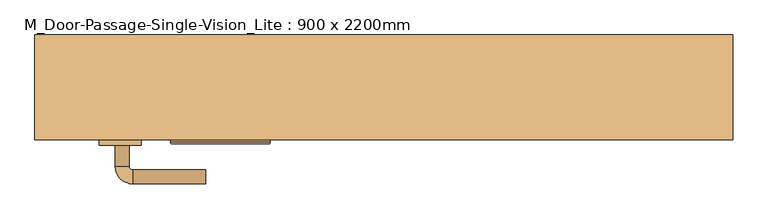
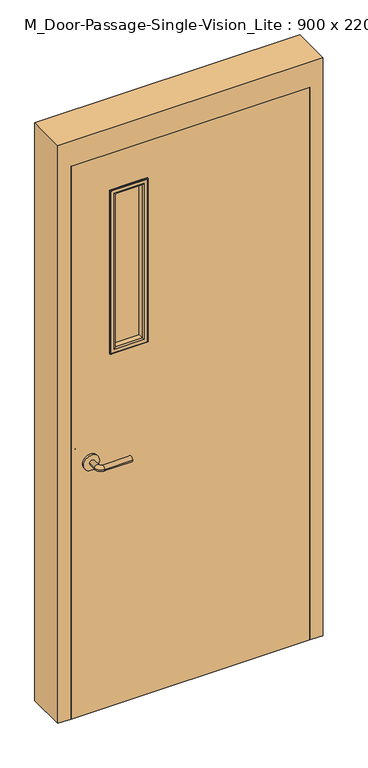
"""IFC4 building model written with IfcOpenShell, lengths in millimetres: door geometry, M_Door-Passage-Single-Vision_Lite : 900 x 2200mm."""

from ifc_helpers import new_model, si_unit, point, frame, frame_2d, origin, place, context, project, spatial, polyline, circle_curve, ellipse_curve, trimmed, segment, composite_curve, outline, extrude, faceted_brep, source, transform, mapped, element, save
from ifc_brep_helpers import plane_surface, cylinder_surface, revolved_surface, advanced_brep


def m_door_passage_single_vision_lite_900_x_2200mm_c099d49f(model_context):
    return source(origin(), model_context, "Body", "SolidModel", [
        advanced_brep(
        [(-384.990625, -104.35, 1000.0), (-364.990625, -104.35, 1000.0), (-384.990625, -74.35, 1000.0), (-364.990625, -74.35, 1000.0), (-359.990625, -69.35, 1000.0), (-359.990625, -49.35, 1000.0), (-254.990625, -49.35, 1000.0), (-254.990625, -69.35, 1000.0)],
        [
            (0, 1, circle_curve(frame((-374.990625, -104.35, 1000.0), z_axis=(0.0, -1.0, 0.0), x_axis=(1.0, 0.0, 0.0)), 10.0)),
            (1, 0, circle_curve(frame((-374.990625, -104.35, 1000.0), z_axis=(0.0, -1.0, 0.0), x_axis=(1.0, 0.0, 0.0)), 10.0)),
            (0, 2),
            (2, 3, circle_curve(frame((-374.990625, -74.35, 1000.0), z_axis=(0.0, -1.0, 0.0), x_axis=(1.0, 0.0, 0.0)), 10.0)),
            (3, 1),
            (3, 2, circle_curve(frame((-374.990625, -74.35, 1000.0), z_axis=(0.0, -1.0, 0.0), x_axis=(1.0, 0.0, 0.0)), 10.0)),
            (4, 3, circle_curve(frame((-359.990625, -74.35, 1000.0), z_axis=(0.0, 0.0, 1.0), x_axis=(-1.0, 0.0, 0.0)), 5.0)),
            (2, 5, circle_curve(frame((-359.990625, -74.35, 1000.0), z_axis=(0.0, 0.0, -1.0), x_axis=(-1.0, 0.0, 0.0)), 25.0)),
            (5, 4, circle_curve(frame((-359.990625, -59.35, 1000.0), z_axis=(-1.0, 0.0, 0.0), x_axis=(0.0, -1.0, 0.0)), 10.0)),
            (4, 5, circle_curve(frame((-359.990625, -59.35, 1000.0), z_axis=(-1.0, 0.0, 0.0), x_axis=(0.0, -1.0, 0.0)), 10.0)),
            (6, 7, circle_curve(frame((-254.990625, -59.35, 1000.0), z_axis=(1.0, 0.0, 0.0), x_axis=(0.0, -1.0, 0.0)), 10.0)),
            (7, 6, circle_curve(frame((-254.990625, -59.35, 1000.0), z_axis=(1.0, 0.0, 0.0), x_axis=(0.0, -1.0, 0.0)), 10.0)),
            (5, 6),
            (7, 4),
        ],
        [
            plane_surface(frame((-374.990625, -104.35, 1000.0), z_axis=(0.0, -1.0, 0.0), x_axis=(0.0, 0.0, 1.0))),
            cylinder_surface(frame((-374.990625, -104.35, 1000.0), z_axis=(0.0, -1.0, 0.0), x_axis=(1.0, 0.0, 0.0)), 10.0),
            revolved_surface(trimmed(ellipse_curve(frame((-374.990625, -74.35, 1000.0), z_axis=(0.0, -1.0, 0.0), x_axis=(1.0, 0.0, 0.0)), 10.0, 10.0), [point((-384.990625, -74.35, 1000.0))], [point((-364.990625, -74.35, 1000.0))], True, "CARTESIAN"), (-359.990625, -74.35, 1000.0), (0.0, 0.0, -1.0)),
            revolved_surface(trimmed(ellipse_curve(frame((-374.990625, -74.35, 1000.0), z_axis=(0.0, -1.0, 0.0), x_axis=(1.0, 0.0, 0.0)), 10.0, 10.0), [point((-364.990625, -74.35, 1000.0))], [point((-384.990625, -74.35, 1000.0))], True, "CARTESIAN"), (-359.990625, -74.35, 1000.0), (0.0, 0.0, -1.0)),
            plane_surface(frame((-254.990625, -59.35, 1000.0), z_axis=(1.0, 0.0, 0.0), x_axis=(0.0, 0.0, 1.0))),
            cylinder_surface(frame((-359.990625, -59.35, 1000.0), z_axis=(-1.0, 0.0, 0.0), x_axis=(0.0, -1.0, 0.0)), 10.0),
        ],
        [
            (0, [[1, 2]]),
            (1, [[-1, 3, 4, 5]]),
            (1, [[-2, -5, 6, -3]]),
            (2, [[7, -4, 8, 9]]),
            (3, [[-8, -6, -7, 10]]),
            (4, [[11, 12]]),
            (5, [[-9, 13, -12, 14]]),
            (5, [[-10, -14, -11, -13]]),
        ],
    ),
        extrude(outline(composite_curve([segment(trimmed(circle_curve(frame_2d((1000.0, -377.490625)), 30.0), [point((1000.0, -407.490625))], [point((1000.0, -347.490625))], False, "CARTESIAN"), True, "CONTINUOUS"), segment(trimmed(circle_curve(frame_2d((1000.0, -377.490625)), 30.0), [point((1000.0, -347.490625))], [point((1000.0, -407.490625))], False, "CARTESIAN"), True, "CONTINUOUS")], self_intersect=False)), frame((0.0, -112.35, 0.0), z_axis=(0.0, 1.0, 0.0), x_axis=(0.0, 0.0, 1.0)), (0.0, 0.0, 1.0), 8.0),
        advanced_brep(
        [(-384.990625, -165.35, 1000.0), (-364.990625, -165.35, 1000.0), (-364.990625, -195.35, 1000.0), (-384.990625, -195.35, 1000.0), (-359.990625, -200.35, 1000.0), (-359.990625, -220.35, 1000.0), (-254.990625, -220.35, 1000.0), (-254.990625, -200.35, 1000.0)],
        [
            (0, 1, circle_curve(frame((-374.990625, -165.35, 1000.0), z_axis=(0.0, 1.0, 0.0), x_axis=(1.0, 0.0, 0.0)), 10.0)),
            (1, 0, circle_curve(frame((-374.990625, -165.35, 1000.0), z_axis=(0.0, 1.0, 0.0), x_axis=(1.0, 0.0, 0.0)), 10.0)),
            (1, 2),
            (2, 3, circle_curve(frame((-374.990625, -195.35, 1000.0), z_axis=(0.0, 1.0, 0.0), x_axis=(1.0, 0.0, 0.0)), 10.0)),
            (3, 0),
            (3, 2, circle_curve(frame((-374.990625, -195.35, 1000.0), z_axis=(0.0, 1.0, 0.0), x_axis=(1.0, 0.0, 0.0)), 10.0)),
            (4, 5, circle_curve(frame((-359.990625, -210.35, 1000.0), z_axis=(-1.0, 0.0, 0.0), x_axis=(0.0, 1.0, 0.0)), 10.0)),
            (5, 3, circle_curve(frame((-359.990625, -195.35, 1000.0), z_axis=(0.0, 0.0, -1.0), x_axis=(-1.0, 0.0, 0.0)), 25.0)),
            (2, 4, circle_curve(frame((-359.990625, -195.35, 1000.0), z_axis=(0.0, 0.0, 1.0), x_axis=(-1.0, 0.0, 0.0)), 5.0)),
            (5, 4, circle_curve(frame((-359.990625, -210.35, 1000.0), z_axis=(-1.0, 0.0, 0.0), x_axis=(0.0, 1.0, 0.0)), 10.0)),
            (6, 7, circle_curve(frame((-254.990625, -210.35, 1000.0), z_axis=(1.0, 0.0, 0.0), x_axis=(0.0, 1.0, 0.0)), 10.0)),
            (7, 6, circle_curve(frame((-254.990625, -210.35, 1000.0), z_axis=(1.0, 0.0, 0.0), x_axis=(0.0, 1.0, 0.0)), 10.0)),
            (4, 7),
            (6, 5),
        ],
        [
            plane_surface(frame((-374.990625, -165.35, 1000.0), z_axis=(0.0, 1.0, 0.0), x_axis=(0.0, 0.0, 1.0))),
            cylinder_surface(frame((-374.990625, -165.35, 1000.0), z_axis=(0.0, 1.0, 0.0), x_axis=(1.0, 0.0, 0.0)), 10.0),
            revolved_surface(trimmed(ellipse_curve(frame((-374.990625, -195.35, 1000.0), z_axis=(0.0, -1.0, 0.0), x_axis=(1.0, 0.0, 0.0)), 10.0, 10.0), [point((-384.990625, -195.35, 1000.0))], [point((-364.990625, -195.35, 1000.0))], True, "CARTESIAN"), (-359.990625, -195.35, 1000.0), (0.0, 0.0, -1.0)),
            revolved_surface(trimmed(ellipse_curve(frame((-374.990625, -195.35, 1000.0), z_axis=(0.0, -1.0, 0.0), x_axis=(1.0, 0.0, 0.0)), 10.0, 10.0), [point((-364.990625, -195.35, 1000.0))], [point((-384.990625, -195.35, 1000.0))], True, "CARTESIAN"), (-359.990625, -195.35, 1000.0), (0.0, 0.0, -1.0)),
            plane_surface(frame((-254.990625, -210.35, 1000.0), z_axis=(1.0, 0.0, 0.0), x_axis=(0.0, 0.0, 1.0))),
            cylinder_surface(frame((-359.990625, -210.35, 1000.0), z_axis=(-1.0, 0.0, 0.0), x_axis=(0.0, 1.0, 0.0)), 10.0),
        ],
        [
            (0, [[1, 2]]),
            (1, [[3, 4, 5, -2]]),
            (1, [[-5, 6, -3, -1]]),
            (2, [[7, 8, -4, 9]]),
            (3, [[10, -9, -6, -8]]),
            (4, [[11, 12]]),
            (5, [[13, -11, 14, -7]]),
            (5, [[-14, -12, -13, -10]]),
        ],
    ),
        extrude(outline(composite_curve([segment(trimmed(circle_curve(frame_2d((1000.0, -377.490625)), 30.0), [point((1000.0, -407.490625))], [point((1000.0, -347.490625))], False, "CARTESIAN"), True, "CONTINUOUS"), segment(trimmed(circle_curve(frame_2d((1000.0, -377.490625)), 30.0), [point((1000.0, -347.490625))], [point((1000.0, -407.490625))], False, "CARTESIAN"), True, "CONTINUOUS")], self_intersect=False)), frame((0.0, -165.35, 0.0), z_axis=(0.0, 1.0, 0.0), x_axis=(0.0, 0.0, 1.0)), (0.0, 0.0, 1.0), 8.0),
        faceted_brep([(450.0, -107.5875, 0.0), (434.125, -107.5875, 0.0), (434.125, -56.5625, 0.0), (450.0, -56.5625, 0.0), (450.0, -7.35, 0.0), (500.0, -7.35, 0.0), (500.0, -157.35, 0.0), (450.0, -157.35, 0.0), (450.0, -157.35, 2200.0), (450.0, -107.5875, 2200.0), (500.0, -157.35, 2300.0), (-500.0, -157.35, 2300.0), (-500.0, -157.35, 0.0), (-450.0, -157.35, 0.0), (-450.0, -157.35, 2200.0), (500.0, -7.35, 2300.0), (450.0, -7.35, 2200.0), (-450.0, -7.35, 2200.0), (-450.0, -7.35, 0.0), (-500.0, -7.35, 0.0), (-500.0, -7.35, 2300.0), (450.0, -56.5625, 2200.0), (434.125, -56.5625, 2184.125), (-434.125, -56.5625, 2184.125), (-434.125, -56.5625, 0.0), (-450.0, -56.5625, 0.0), (-450.0, -56.5625, 2200.0), (434.125, -107.5875, 2184.125), (-450.0, -107.5875, 2200.0), (-450.0, -107.5875, 0.0), (-434.125, -107.5875, 0.0), (-434.125, -107.5875, 2184.125)], [[[0, 1, 2, 3, 4, 5, 6, 7]], [[7, 8, 9, 0]], [[6, 10, 11, 12, 13, 14, 8, 7]], [[5, 15, 10, 6]], [[4, 16, 17, 18, 19, 20, 15, 5]], [[3, 21, 16, 4]], [[2, 22, 23, 24, 25, 26, 21, 3]], [[1, 27, 22, 2]], [[0, 9, 28, 29, 30, 31, 27, 1]], [[8, 14, 28, 9]], [[16, 21, 26, 17]], [[22, 27, 31, 23]], [[12, 19, 18, 25, 24, 30, 29, 13]], [[13, 29, 28, 14]], [[11, 20, 19, 12]], [[17, 26, 25, 18]], [[23, 31, 30, 24]], [[15, 20, 11, 10]]]),
        extrude(outline(polyline([(2200.0, -450.0), (0.0, -450.0), (0.0, 450.0), (2200.0, 450.0), (2200.0, -450.0)]), holes=[polyline([(2047.6, -297.6), (2047.6, -170.6), (1412.6, -170.6), (1412.6, -297.6), (2047.6, -297.6)])]), frame((0.0, -157.35, 0.0), z_axis=(0.0, 1.0, 0.0), x_axis=(0.0, 0.0, 1.0)), (0.0, 0.0, 1.0), 45.0),
        extrude(outline(polyline([(-170.6, -132.35), (-170.6, -137.35), (-297.6, -137.35), (-297.6, -132.35), (-170.6, -132.35)])), frame((0.0, 0.0, 1412.6), z_axis=(0.0, 0.0, 1.0), x_axis=(1.0, 0.0, 0.0)), (0.0, 0.0, 1.0), 635.0),
        advanced_brep(
        [(-297.6, -132.35, 1412.6), (-297.6, -132.35, 2047.6), (-297.6, -112.35, 2047.6), (-297.6, -112.35, 1412.6), (-285.6, -111.35, 1424.6), (-285.6, -111.35, 2035.6), (-285.6, -132.35, 2035.6), (-285.6, -132.35, 1424.6), (-290.6, -106.35, 1419.6), (-290.6, -106.35, 2040.6), (-305.6, -108.35, 1404.6), (-305.6, -108.35, 2055.6), (-303.6, -106.35, 2053.6), (-303.6, -106.35, 1406.6), (-305.6, -112.35, 1404.6), (-305.6, -112.35, 2055.6), (-170.6, -132.35, 2047.6), (-170.6, -112.35, 2047.6), (-182.6, -111.35, 2035.6), (-182.6, -132.35, 2035.6), (-177.6, -106.35, 2040.6), (-162.6, -108.35, 2055.6), (-164.6, -106.35, 2053.6), (-162.6, -112.35, 2055.6), (-170.6, -132.35, 1412.6), (-170.6, -112.35, 1412.6), (-182.6, -111.35, 1424.6), (-182.6, -132.35, 1424.6), (-177.6, -106.35, 1419.6), (-162.6, -108.35, 1404.6), (-164.6, -106.35, 1406.6), (-162.6, -112.35, 1404.6)],
        [
            (0, 1),
            (1, 2),
            (2, 3),
            (3, 0),
            (4, 5),
            (5, 6),
            (6, 7),
            (7, 4),
            (8, 9),
            (9, 5, ellipse_curve(frame((-290.6, -111.35, 2040.6), z_axis=(-0.7071067811865475, 0.0, -0.7071067811865475), x_axis=(0.7071067811865474, 0.0, -0.7071067811865476)), 7.0710678, 5.0)),
            (4, 8, ellipse_curve(frame((-290.6, -111.35, 1419.6), z_axis=(-0.7071067811865475, 0.0, 0.7071067811865475), x_axis=(-0.7071067811865474, 0.0, -0.7071067811865476)), 7.0710678, 5.0)),
            (10, 11),
            (11, 12, ellipse_curve(frame((-303.6, -108.35, 2053.6), z_axis=(-0.7071067811865475, 0.0, -0.7071067811865475), x_axis=(0.7071067811865474, 0.0, -0.7071067811865476)), 2.8284271, 2.0)),
            (12, 13),
            (13, 10, ellipse_curve(frame((-303.6, -108.35, 1406.6), z_axis=(-0.7071067811865475, 0.0, 0.7071067811865475), x_axis=(-0.7071067811865474, 0.0, -0.7071067811865476)), 2.8284271, 2.0)),
            (14, 15),
            (15, 11),
            (10, 14),
            (1, 16),
            (16, 17),
            (17, 2),
            (5, 18),
            (18, 19),
            (19, 6),
            (9, 20),
            (20, 18, ellipse_curve(frame((-177.6, -111.35, 2040.6), z_axis=(-0.7071067811865475, 0.0, 0.7071067811865475), x_axis=(-0.7071067811865476, 0.0, -0.7071067811865474)), 7.0710678, 5.0)),
            (11, 21),
            (21, 22, ellipse_curve(frame((-164.6, -108.35, 2053.6), z_axis=(-0.7071067811865475, 0.0, 0.7071067811865475), x_axis=(-0.7071067811865476, 0.0, -0.7071067811865474)), 2.8284271, 2.0)),
            (22, 12),
            (15, 23),
            (23, 21),
            (16, 24),
            (24, 25),
            (25, 17),
            (18, 26),
            (26, 27),
            (27, 19),
            (20, 28),
            (28, 26, ellipse_curve(frame((-177.6, -111.35, 1419.6), z_axis=(0.7071067811865475, 0.0, 0.7071067811865475), x_axis=(-0.7071067811865474, 0.0, 0.7071067811865476)), 7.0710678, 5.0)),
            (21, 29),
            (29, 30, ellipse_curve(frame((-164.6, -108.35, 1406.6), z_axis=(0.7071067811865475, 0.0, 0.7071067811865475), x_axis=(-0.7071067811865474, 0.0, 0.7071067811865476)), 2.8284271, 2.0)),
            (30, 22),
            (23, 31),
            (31, 29),
            (14, 31),
            (25, 3),
            (24, 0),
            (27, 7),
            (26, 4),
            (28, 8),
            (30, 13),
            (29, 10),
        ],
        [
            plane_surface(frame((-297.6, -112.35, 1412.6), z_axis=(-1.0, 0.0, 0.0), x_axis=(0.0, 0.0, 1.0))),
            plane_surface(frame((-285.6, -132.35, 1424.6), z_axis=(1.0, 0.0, 0.0), x_axis=(0.0, 0.0, 1.0))),
            cylinder_surface(frame((-290.6, -111.35, 1412.6), z_axis=(0.0, 0.0, -1.0), x_axis=(-1.0, 0.0, 0.0)), 5.0),
            cylinder_surface(frame((-303.6, -108.35, 1412.6), z_axis=(0.0, 0.0, -1.0), x_axis=(-1.0, 0.0, 0.0)), 2.0),
            plane_surface(frame((-305.6, -108.35, 1404.6), z_axis=(-1.0, 0.0, 0.0), x_axis=(0.0, 0.0, 1.0))),
            plane_surface(frame((-297.6, -112.35, 2047.6), z_axis=(0.0, 0.0, 1.0), x_axis=(1.0, 0.0, 0.0))),
            plane_surface(frame((-285.6, -132.35, 2035.6), z_axis=(0.0, 0.0, -1.0), x_axis=(1.0, 0.0, 0.0))),
            cylinder_surface(frame((-297.6, -111.35, 2040.6), z_axis=(-1.0, 0.0, 0.0), x_axis=(0.0, 0.0, 1.0)), 5.0),
            cylinder_surface(frame((-297.6, -108.35, 2053.6), z_axis=(-1.0, 0.0, 0.0), x_axis=(0.0, 0.0, 1.0)), 2.0),
            plane_surface(frame((-305.6, -108.35, 2055.6), z_axis=(0.0, 0.0, 1.0), x_axis=(1.0, 0.0, 0.0))),
            plane_surface(frame((-170.6, -112.35, 2047.6), z_axis=(1.0, 0.0, 0.0), x_axis=(0.0, 0.0, -1.0))),
            plane_surface(frame((-182.6, -132.35, 2035.6), z_axis=(-1.0, 0.0, 0.0), x_axis=(0.0, 0.0, -1.0))),
            cylinder_surface(frame((-177.6, -111.35, 2047.6), z_axis=(0.0, 0.0, 1.0), x_axis=(1.0, 0.0, 0.0)), 5.0),
            cylinder_surface(frame((-164.6, -108.35, 2047.6), z_axis=(0.0, 0.0, 1.0), x_axis=(1.0, 0.0, 0.0)), 2.0),
            plane_surface(frame((-162.6, -108.35, 2055.6), z_axis=(1.0, 0.0, 0.0), x_axis=(0.0, 0.0, -1.0))),
            plane_surface(frame((-162.6, -112.35, 1404.6), z_axis=(0.0, -1.0, 0.0), x_axis=(-1.0, 0.0, 0.0))),
            plane_surface(frame((-170.6, -112.35, 1412.6), z_axis=(0.0, 0.0, -1.0), x_axis=(-1.0, 0.0, 0.0))),
            plane_surface(frame((-170.6, -132.35, 1412.6), z_axis=(0.0, -1.0, 0.0), x_axis=(-1.0, 0.0, 0.0))),
            plane_surface(frame((-182.6, -132.35, 1424.6), z_axis=(0.0, 0.0, 1.0), x_axis=(-1.0, 0.0, 0.0))),
            cylinder_surface(frame((-170.6, -111.35, 1419.6), z_axis=(1.0, 0.0, 0.0), x_axis=(0.0, 0.0, -1.0)), 5.0),
            plane_surface(frame((-177.6, -106.35, 1419.6), z_axis=(0.0, 1.0, 0.0), x_axis=(-1.0, 0.0, 0.0))),
            cylinder_surface(frame((-170.6, -108.35, 1406.6), z_axis=(1.0, 0.0, 0.0), x_axis=(0.0, 0.0, -1.0)), 2.0),
            plane_surface(frame((-162.6, -108.35, 1404.6), z_axis=(0.0, 0.0, -1.0), x_axis=(-1.0, 0.0, 0.0))),
        ],
        [
            (0, [[1, 2, 3, 4]]),
            (1, [[5, 6, 7, 8]]),
            (2, [[9, 10, -5, 11]]),
            (3, [[12, 13, 14, 15]]),
            (4, [[16, 17, -12, 18]]),
            (5, [[19, 20, 21, -2]]),
            (6, [[22, 23, 24, -6]]),
            (7, [[25, 26, -22, -10]]),
            (8, [[27, 28, 29, -13]]),
            (9, [[30, 31, -27, -17]]),
            (10, [[32, 33, 34, -20]]),
            (11, [[35, 36, 37, -23]]),
            (12, [[38, 39, -35, -26]]),
            (13, [[40, 41, 42, -28]]),
            (14, [[43, 44, -40, -31]]),
            (15, [[-16, 45, -43, -30], [-3, -21, -34, 46]]),
            (16, [[47, -4, -46, -33]]),
            (17, [[-1, -47, -32, -19], [-7, -24, -37, 48]]),
            (18, [[49, -8, -48, -36]]),
            (19, [[50, -11, -49, -39]]),
            (20, [[-14, -29, -42, 51], [-9, -50, -38, -25]]),
            (21, [[52, -15, -51, -41]]),
            (22, [[-45, -18, -52, -44]]),
        ],
    ),
        advanced_brep(
        [(-297.6, -137.35, 2047.6), (-297.6, -137.35, 1412.6), (-297.6, -157.35, 1412.6), (-297.6, -157.35, 2047.6), (-285.6, -158.35, 2035.6), (-285.6, -158.35, 1424.6), (-285.6, -137.35, 1424.6), (-285.6, -137.35, 2035.6), (-290.6, -163.35, 2040.6), (-290.6, -163.35, 1419.6), (-305.6, -161.35, 2055.6), (-305.6, -161.35, 1404.6), (-303.6, -163.35, 1406.6), (-303.6, -163.35, 2053.6), (-305.6, -157.35, 2055.6), (-305.6, -157.35, 1404.6), (-170.6, -137.35, 1412.6), (-170.6, -157.35, 1412.6), (-182.6, -158.35, 1424.6), (-182.6, -137.35, 1424.6), (-177.6, -163.35, 1419.6), (-162.6, -161.35, 1404.6), (-164.6, -163.35, 1406.6), (-162.6, -157.35, 1404.6), (-170.6, -137.35, 2047.6), (-170.6, -157.35, 2047.6), (-182.6, -158.35, 2035.6), (-182.6, -137.35, 2035.6), (-177.6, -163.35, 2040.6), (-162.6, -161.35, 2055.6), (-164.6, -163.35, 2053.6), (-162.6, -157.35, 2055.6)],
        [
            (0, 1),
            (1, 2),
            (2, 3),
            (3, 0),
            (4, 5),
            (5, 6),
            (6, 7),
            (7, 4),
            (8, 9),
            (9, 5, ellipse_curve(frame((-290.6, -158.35, 1419.6), z_axis=(-0.7071067811865475, 0.0, 0.7071067811865475), x_axis=(0.7071067811865474, 0.0, 0.7071067811865476)), 7.0710678, 5.0)),
            (4, 8, ellipse_curve(frame((-290.6, -158.35, 2040.6), z_axis=(-0.7071067811865475, 0.0, -0.7071067811865475), x_axis=(-0.7071067811865474, 0.0, 0.7071067811865476)), 7.0710678, 5.0)),
            (10, 11),
            (11, 12, ellipse_curve(frame((-303.6, -161.35, 1406.6), z_axis=(-0.7071067811865475, 0.0, 0.7071067811865475), x_axis=(0.7071067811865474, 0.0, 0.7071067811865476)), 2.8284271, 2.0)),
            (12, 13),
            (13, 10, ellipse_curve(frame((-303.6, -161.35, 2053.6), z_axis=(-0.7071067811865475, 0.0, -0.7071067811865475), x_axis=(-0.7071067811865474, 0.0, 0.7071067811865476)), 2.8284271, 2.0)),
            (14, 15),
            (15, 11),
            (10, 14),
            (1, 16),
            (16, 17),
            (17, 2),
            (5, 18),
            (18, 19),
            (19, 6),
            (9, 20),
            (20, 18, ellipse_curve(frame((-177.6, -158.35, 1419.6), z_axis=(-0.7071067811865475, 0.0, -0.7071067811865475), x_axis=(-0.7071067811865476, 0.0, 0.7071067811865474)), 7.0710678, 5.0)),
            (11, 21),
            (21, 22, ellipse_curve(frame((-164.6, -161.35, 1406.6), z_axis=(-0.7071067811865475, 0.0, -0.7071067811865475), x_axis=(-0.7071067811865476, 0.0, 0.7071067811865474)), 2.8284271, 2.0)),
            (22, 12),
            (15, 23),
            (23, 21),
            (16, 24),
            (24, 25),
            (25, 17),
            (18, 26),
            (26, 27),
            (27, 19),
            (20, 28),
            (28, 26, ellipse_curve(frame((-177.6, -158.35, 2040.6), z_axis=(0.7071067811865475, 0.0, -0.7071067811865475), x_axis=(-0.7071067811865474, 0.0, -0.7071067811865476)), 7.0710678, 5.0)),
            (21, 29),
            (29, 30, ellipse_curve(frame((-164.6, -161.35, 2053.6), z_axis=(0.7071067811865475, 0.0, -0.7071067811865475), x_axis=(-0.7071067811865474, 0.0, -0.7071067811865476)), 2.8284271, 2.0)),
            (30, 22),
            (23, 31),
            (31, 29),
            (14, 31),
            (25, 3),
            (24, 0),
            (27, 7),
            (26, 4),
            (28, 8),
            (30, 13),
            (29, 10),
        ],
        [
            plane_surface(frame((-297.6, -157.35, 2047.6), z_axis=(-1.0, 0.0, 0.0), x_axis=(0.0, 0.0, -1.0))),
            plane_surface(frame((-285.6, -137.35, 2035.6), z_axis=(1.0, 0.0, 0.0), x_axis=(0.0, 0.0, -1.0))),
            cylinder_surface(frame((-290.6, -158.35, 2047.6), z_axis=(0.0, 0.0, 1.0), x_axis=(-1.0, 0.0, 0.0)), 5.0),
            cylinder_surface(frame((-303.6, -161.35, 2047.6), z_axis=(0.0, 0.0, 1.0), x_axis=(-1.0, 0.0, 0.0)), 2.0),
            plane_surface(frame((-305.6, -161.35, 2055.6), z_axis=(-1.0, 0.0, 0.0), x_axis=(0.0, 0.0, -1.0))),
            plane_surface(frame((-297.6, -157.35, 1412.6), z_axis=(0.0, 0.0, -1.0), x_axis=(1.0, 0.0, 0.0))),
            plane_surface(frame((-285.6, -137.35, 1424.6), z_axis=(0.0, 0.0, 1.0), x_axis=(1.0, 0.0, 0.0))),
            cylinder_surface(frame((-297.6, -158.35, 1419.6), z_axis=(-1.0, 0.0, 0.0), x_axis=(0.0, 0.0, -1.0)), 5.0),
            cylinder_surface(frame((-297.6, -161.35, 1406.6), z_axis=(-1.0, 0.0, 0.0), x_axis=(0.0, 0.0, -1.0)), 2.0),
            plane_surface(frame((-305.6, -161.35, 1404.6), z_axis=(0.0, 0.0, -1.0), x_axis=(1.0, 0.0, 0.0))),
            plane_surface(frame((-170.6, -157.35, 1412.6), z_axis=(1.0, 0.0, 0.0), x_axis=(0.0, 0.0, 1.0))),
            plane_surface(frame((-182.6, -137.35, 1424.6), z_axis=(-1.0, 0.0, 0.0), x_axis=(0.0, 0.0, 1.0))),
            cylinder_surface(frame((-177.6, -158.35, 1412.6), z_axis=(0.0, 0.0, -1.0), x_axis=(1.0, 0.0, 0.0)), 5.0),
            cylinder_surface(frame((-164.6, -161.35, 1412.6), z_axis=(0.0, 0.0, -1.0), x_axis=(1.0, 0.0, 0.0)), 2.0),
            plane_surface(frame((-162.6, -161.35, 1404.6), z_axis=(1.0, 0.0, 0.0), x_axis=(0.0, 0.0, 1.0))),
            plane_surface(frame((-162.6, -157.35, 2055.6), z_axis=(0.0, 1.0, 0.0), x_axis=(-1.0, 0.0, 0.0))),
            plane_surface(frame((-170.6, -157.35, 2047.6), z_axis=(0.0, 0.0, 1.0), x_axis=(-1.0, 0.0, 0.0))),
            plane_surface(frame((-170.6, -137.35, 2047.6), z_axis=(0.0, 1.0, 0.0), x_axis=(-1.0, 0.0, 0.0))),
            plane_surface(frame((-182.6, -137.35, 2035.6), z_axis=(0.0, 0.0, -1.0), x_axis=(-1.0, 0.0, 0.0))),
            cylinder_surface(frame((-170.6, -158.35, 2040.6), z_axis=(1.0, 0.0, 0.0), x_axis=(0.0, 0.0, 1.0)), 5.0),
            plane_surface(frame((-177.6, -163.35, 2040.6), z_axis=(0.0, -1.0, 0.0), x_axis=(-1.0, 0.0, 0.0))),
            cylinder_surface(frame((-170.6, -161.35, 2053.6), z_axis=(1.0, 0.0, 0.0), x_axis=(0.0, 0.0, 1.0)), 2.0),
            plane_surface(frame((-162.6, -161.35, 2055.6), z_axis=(0.0, 0.0, 1.0), x_axis=(-1.0, 0.0, 0.0))),
        ],
        [
            (0, [[1, 2, 3, 4]]),
            (1, [[5, 6, 7, 8]]),
            (2, [[9, 10, -5, 11]]),
            (3, [[12, 13, 14, 15]]),
            (4, [[16, 17, -12, 18]]),
            (5, [[19, 20, 21, -2]]),
            (6, [[22, 23, 24, -6]]),
            (7, [[25, 26, -22, -10]]),
            (8, [[27, 28, 29, -13]]),
            (9, [[30, 31, -27, -17]]),
            (10, [[32, 33, 34, -20]]),
            (11, [[35, 36, 37, -23]]),
            (12, [[38, 39, -35, -26]]),
            (13, [[40, 41, 42, -28]]),
            (14, [[43, 44, -40, -31]]),
            (15, [[-16, 45, -43, -30], [-3, -21, -34, 46]]),
            (16, [[47, -4, -46, -33]]),
            (17, [[-1, -47, -32, -19], [-7, -24, -37, 48]]),
            (18, [[49, -8, -48, -36]]),
            (19, [[50, -11, -49, -39]]),
            (20, [[-14, -29, -42, 51], [-9, -50, -38, -25]]),
            (21, [[52, -15, -51, -41]]),
            (22, [[-45, -18, -52, -44]]),
        ],
    ),
    ])


if __name__ == "__main__":
    model = new_model("IFC4")
    model_context = context("Model", 3, world=origin())
    ifc_project = project(units=[si_unit("LENGTHUNIT", "METRE", prefix="MILLI")], contexts=[model_context])
    site = spatial("IfcSite", under=ifc_project)
    building = spatial("IfcBuilding", under=site)
    placement = place(None, origin())
    m_door_passage_single_vision_lite_900_x_2200mm_shape = m_door_passage_single_vision_lite_900_x_2200mm_c099d49f(model_context)
    element("IfcDoor", 1, ObjectType="M_Door-Passage-Single-Vision_Lite : 900 x 2200mm", at=placement, inside=building, context=model_context, shape_type="MappedRepresentation", body=[
        mapped(m_door_passage_single_vision_lite_900_x_2200mm_shape, transform((0.0, 0.0, 0.0), x_axis=(1.0, 0.0, 0.0), y_axis=(0.0, 1.0, 0.0), z_axis=(0.0, 0.0, 1.0))),
    ])
    save(model, "model.ifc")
